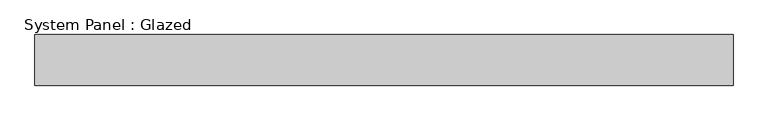
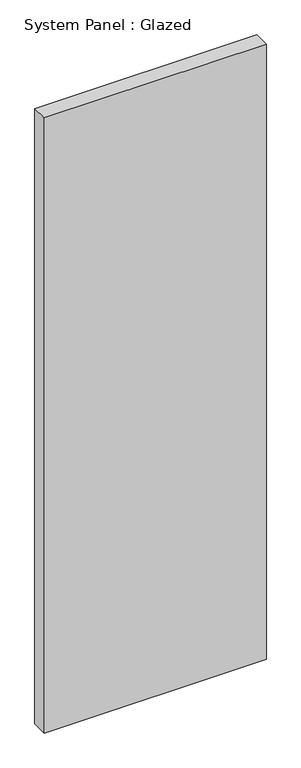
"""IFC4 building model written with IfcOpenShell, lengths in millimetres: plate geometry, System Panel : Glazed."""

from ifc_helpers import new_model, si_unit, origin, origin_with_axes, place, context, project, spatial, polyline, outline, extrude, source, transform, mapped, element, save


def system_panel_glazed_882384e2(model_context):
    return source(origin(), model_context, "Body", "SweptSolid", [
        extrude(outline(polyline([(683.3333333, 50.0), (-683.3333333, 50.0), (-683.3333333, 150.0), (683.3333333, 150.0), (683.3333333, 50.0)])), origin_with_axes(), (0.0, 0.0, 1.0), 4000.0),
    ])


if __name__ == "__main__":
    model = new_model("IFC4")
    model_context = context("Model", 3, world=origin())
    ifc_project = project(units=[si_unit("LENGTHUNIT", "METRE", prefix="MILLI")], contexts=[model_context])
    site = spatial("IfcSite", under=ifc_project)
    building = spatial("IfcBuilding", under=site)
    placement = place(None, origin())
    system_panel_glazed_shape = system_panel_glazed_882384e2(model_context)
    element("IfcPlate", 1, ObjectType="System Panel : Glazed", at=placement, inside=building, context=model_context, shape_type="MappedRepresentation", body=[
        mapped(system_panel_glazed_shape, transform((0.0, 0.0, 0.0), x_axis=(1.0, 0.0, 0.0), y_axis=(0.0, 1.0, 0.0), z_axis=(0.0, 0.0, 1.0))),
    ])
    save(model, "model.ifc")
